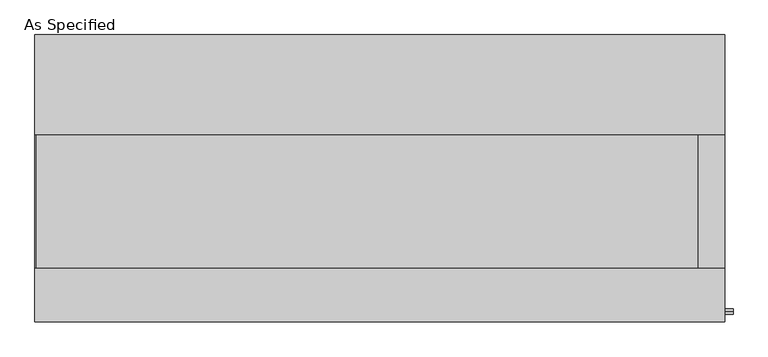
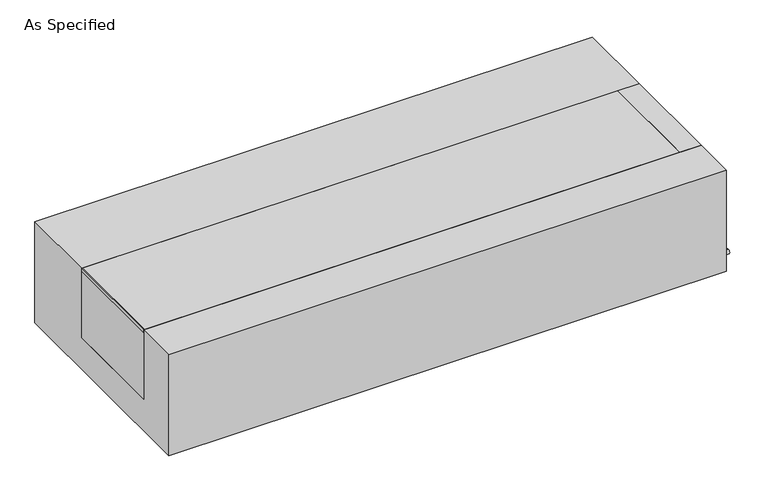
"""IFC4 building model written with IfcOpenShell, lengths in millimetres: proxy geometry, As Specified."""

from ifc_helpers import new_model, si_unit, point, frame, frame_2d, origin, place, context, project, spatial, polyline, circle_curve, trimmed, segment, composite_curve, outline, extrude, source, transform, mapped, element, save


def as_specified_9ea34beb(model_context):
    return source(origin(), model_context, "Body", "SweptSolid", [
        extrude(outline(composite_curve([segment(trimmed(circle_curve(frame_2d((-509.5875, -466.725)), 10.5), [point((-509.5875, -456.225))], [point((-509.5875, -477.225))], False, "CARTESIAN"), True, "CONTINUOUS"), segment(trimmed(circle_curve(frame_2d((-509.5875, -466.725)), 10.5), [point((-509.5875, -477.225))], [point((-509.5875, -456.225))], False, "CARTESIAN"), True, "CONTINUOUS")], self_intersect=False)), frame((1319.2125, 0.0, 0.0), z_axis=(1.0, 0.0, 0.0), x_axis=(0.0, 1.0, 0.0)), (0.0, 0.0, 1.0), 31.8403384),
        extrude(outline(polyline([(1218.40625, -342.9), (1218.40625, 165.1), (1319.2125, 165.1), (1319.2125, -342.9), (1218.40625, -342.9)])), frame((0.0, 0.0, -373.0625), z_axis=(0.0, 0.0, 1.0), x_axis=(1.0, 0.0, 0.0)), (0.0, 0.0, 1.0), 347.6625),
        extrude(outline(polyline([(-1315.24375, -342.9), (-1319.2125, -342.9), (-1319.2125, 165.1), (-1315.24375, 165.1), (-1315.24375, -342.9)])), frame((0.0, 0.0, -39.6875), z_axis=(0.0, 0.0, 1.0), x_axis=(1.0, 0.0, 0.0)), (0.0, 0.0, 1.0), 14.2875),
        extrude(outline(polyline([(1218.40625, 165.1), (1218.40625, -342.9), (-1319.2125, -342.9), (-1319.2125, 165.1), (1218.40625, 165.1)])), frame((0.0, 0.0, -373.0625), z_axis=(0.0, 0.0, 1.0), x_axis=(1.0, 0.0, 0.0)), (0.0, 0.0, 1.0), 347.6625),
        extrude(outline(polyline([(549.275, -25.4), (549.275, -530.225), (-549.275, -530.225), (-549.275, -25.4), (-342.9, -25.4), (-342.9, -373.0625), (165.1, -373.0625), (165.1, -25.4), (549.275, -25.4)])), frame((-1319.2125, 0.0, 0.0), z_axis=(1.0, 0.0, 0.0), x_axis=(0.0, 1.0, 0.0)), (0.0, 0.0, 1.0), 2638.425),
    ])


if __name__ == "__main__":
    model = new_model("IFC4")
    model_context = context("Model", 3, world=origin())
    ifc_project = project(units=[si_unit("LENGTHUNIT", "METRE", prefix="MILLI")], contexts=[model_context])
    site = spatial("IfcSite", under=ifc_project)
    building = spatial("IfcBuilding", under=site)
    placement = place(None, origin())
    as_specified_shape = as_specified_9ea34beb(model_context)
    element("IfcBuildingElementProxy", 1, Name="As Specified", ObjectType="As Specified", at=placement, inside=building, context=model_context, shape_type="MappedRepresentation", body=[
        mapped(as_specified_shape, transform((0.0, 0.0, 0.0), x_axis=(1.0, 0.0, 0.0), y_axis=(0.0, 1.0, 0.0), z_axis=(0.0, 0.0, 1.0))),
    ])
    save(model, "model.ifc")
